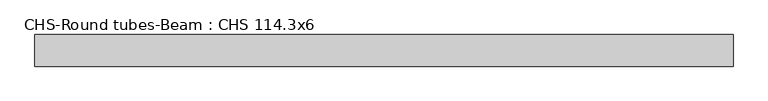
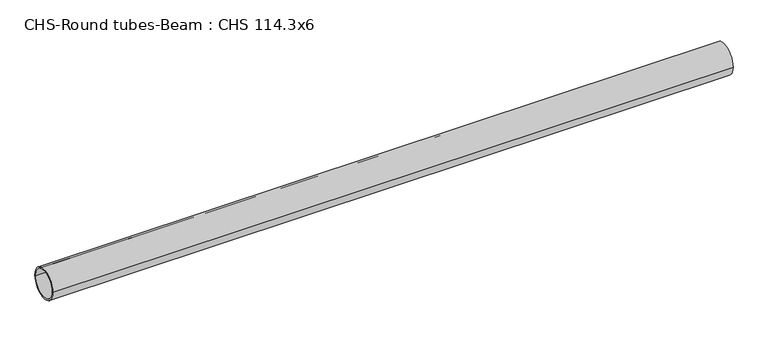
"""IFC4 building model written with IfcOpenShell, lengths in millimetres: beam geometry, CHS-Round tubes-Beam : CHS 114.3x6."""

from ifc_helpers import new_model, si_unit, point, frame, origin, origin_2d, place, context, project, spatial, circle_curve, trimmed, segment, composite_curve, outline, extrude, source, transform, mapped, element, save


def chs_round_tubes_beam_chs_114_3x6_b3711c0a(model_context):
    return source(origin(), model_context, "Body", "SweptSolid", [
        extrude(outline(composite_curve([segment(trimmed(circle_curve(origin_2d(), 57.15), [point((57.15, 0.0))], [point((-57.15, 0.0))], False, "CARTESIAN"), True, "CONTINUOUS"), segment(trimmed(circle_curve(origin_2d(), 57.15), [point((-57.15, 0.0))], [point((57.15, 0.0))], False, "CARTESIAN"), True, "CONTINUOUS")], self_intersect=False), holes=[composite_curve([segment(trimmed(circle_curve(origin_2d(), 51.15), [point((51.15, 0.0))], [point((-51.15, 0.0))], True, "CARTESIAN"), True, "CONTINUOUS"), segment(trimmed(circle_curve(origin_2d(), 51.15), [point((-51.15, 0.0))], [point((51.15, 0.0))], True, "CARTESIAN"), True, "CONTINUOUS")], self_intersect=False)]), frame((-1260.756827, 0.0, 0.0), z_axis=(1.0, 0.0, 0.0), x_axis=(0.0, 1.0, 0.0)), (0.0, 0.0, 1.0), 2522.5393931),
    ])


if __name__ == "__main__":
    model = new_model("IFC4")
    model_context = context("Model", 3, world=origin())
    ifc_project = project(units=[si_unit("LENGTHUNIT", "METRE", prefix="MILLI")], contexts=[model_context])
    site = spatial("IfcSite", under=ifc_project)
    building = spatial("IfcBuilding", under=site)
    placement = place(None, origin())
    chs_round_tubes_beam_chs_114_3x6_shape = chs_round_tubes_beam_chs_114_3x6_b3711c0a(model_context)
    element("IfcBeam", 1, ObjectType="CHS-Round tubes-Beam : CHS 114.3x6", at=placement, inside=building, context=model_context, shape_type="MappedRepresentation", body=[
        mapped(chs_round_tubes_beam_chs_114_3x6_shape, transform((0.0, 0.0, 0.0), x_axis=(1.0, 0.0, 0.0), y_axis=(0.0, 1.0, 0.0), z_axis=(0.0, 0.0, 1.0))),
    ])
    save(model, "model.ifc")
